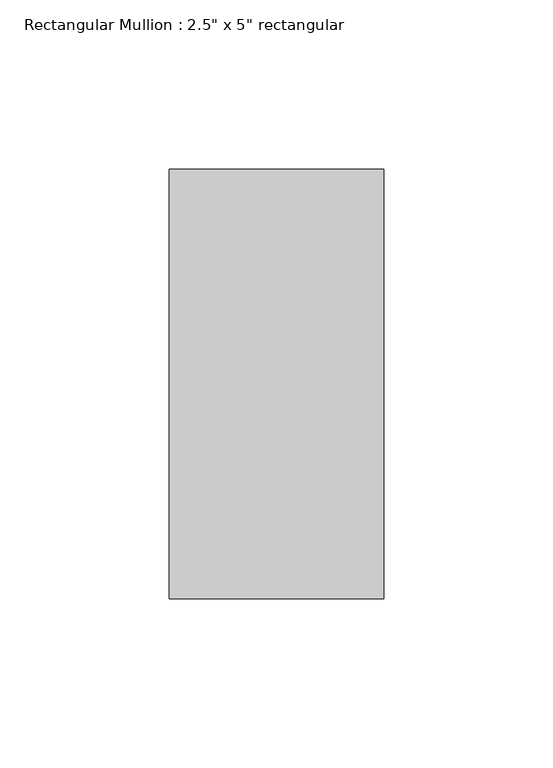
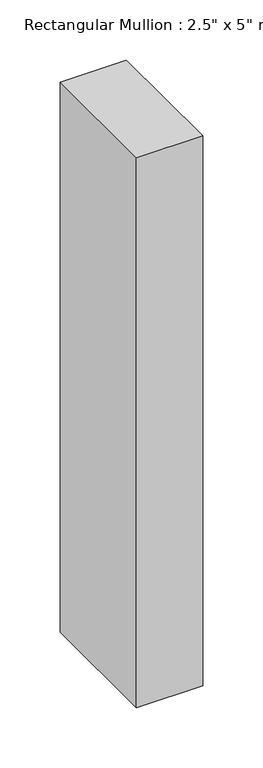
"""IFC4 building model written with IfcOpenShell, lengths in millimetres: member geometry."""

from ifc_helpers import new_model, si_unit, frame, origin, place, context, project, spatial, polyline, outline, extrude, source, transform, mapped, element, save


def member_75f6ddef(model_context):
    return source(origin(), model_context, "Body", "SweptSolid", [
        extrude(outline(polyline([(31.75, 63.5), (31.75, -63.5), (-31.75, -63.5), (-31.75, 63.5), (31.75, 63.5)])), frame((0.0, 0.0, -558.28852), z_axis=(0.0, 0.0, 1.0), x_axis=(1.0, 0.0, 0.0)), (0.0, 0.0, 1.0), 558.28852),
    ])


if __name__ == "__main__":
    model = new_model("IFC4")
    model_context = context("Model", 3, world=origin())
    ifc_project = project(units=[si_unit("LENGTHUNIT", "METRE", prefix="MILLI")], contexts=[model_context])
    site = spatial("IfcSite", under=ifc_project)
    building = spatial("IfcBuilding", under=site)
    placement = place(None, origin())
    member_shape = member_75f6ddef(model_context)
    element("IfcMember", 1, ObjectType="Rectangular Mullion : 2.5\" x 5\" rectangular", at=placement, inside=building, context=model_context, shape_type="MappedRepresentation", body=[
        mapped(member_shape, transform((0.0, 0.0, 0.0), x_axis=(1.0, 0.0, 0.0), y_axis=(0.0, 1.0, 0.0), z_axis=(0.0, 0.0, 1.0))),
    ])
    save(model, "model.ifc")
